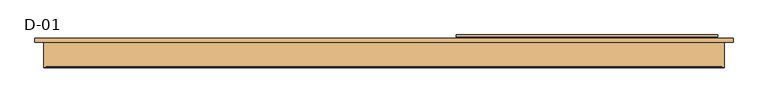
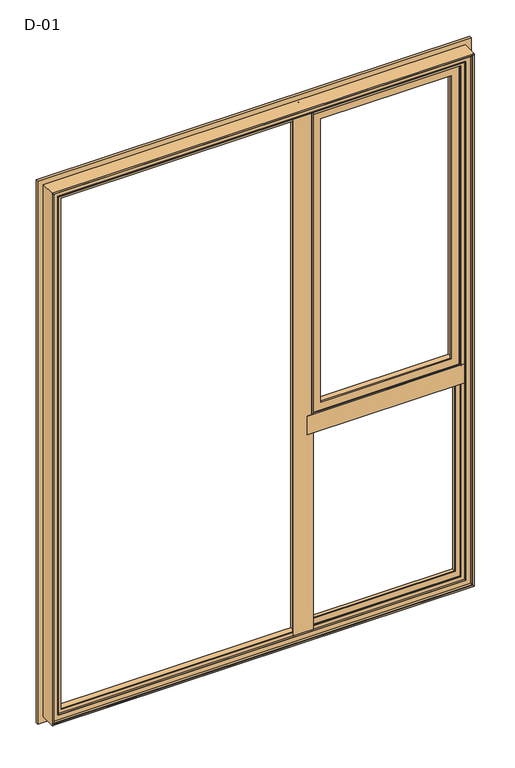
"""IFC4 building model written with IfcOpenShell, lengths in millimetres: door geometry, D-01."""

from ifc_helpers import new_model, si_unit, frame, origin, place, context, project, spatial, polyline, ellipse_curve, outline, extrude, source, transform, mapped, element, save
from ifc_brep_helpers import plane_surface, cylinder_surface, revolved_surface, advanced_brep


def d_01_aafe551c(model_context):
    return source(origin(), model_context, "Body", "SolidModel", [
        advanced_brep(
        [(735.8588651, 121.9999121, 1985.8588651), (735.8588651, 121.9999121, 809.1411349), (735.8588651, 126.5999121, 809.1411349), (735.8588651, 126.5999121, 1985.8588651), (159.1411349, 126.5999121, 1985.8588651), (159.1411349, 126.5999121, 809.1411349), (699.3588651, 126.5999121, 1949.3588651), (195.6411349, 126.5999121, 1949.3588651), (195.6411349, 126.5999121, 845.6411349), (699.3588651, 126.5999121, 845.6411349), (159.1411349, 121.9999121, 809.1411349), (159.1411349, 121.9999121, 1985.8588651), (161.2462336, 121.9999121, 1983.7537664), (733.7537664, 121.9999121, 1983.7537664), (733.7537664, 121.9999121, 811.2462336), (161.2462336, 121.9999121, 811.2462336), (736.4637148, 119.9946866, 1986.4637148), (736.4637148, 119.9946866, 808.5362852), (158.5362852, 119.9946866, 808.5362852), (737.2086873, 118.9999537, 1987.2086873), (737.2086873, 118.9999537, 807.7913127), (157.7913127, 118.9999537, 807.7913127), (157.7913127, 118.9999537, 1987.2086873), (176.6411322, 118.9999537, 1968.3588678), (718.3588678, 118.9999537, 1968.3588678), (718.3588678, 118.9999537, 826.6411322), (176.6411322, 118.9999537, 826.6411322), (718.3588678, 76.0999005, 1968.3588678), (718.3588678, 76.0999005, 826.6411322), (176.6411322, 76.0999005, 826.6411322), (717.8588679, 75.5999006, 1967.8588679), (717.8588679, 75.5999006, 827.1411321), (177.1411321, 75.5999006, 827.1411321), (718.144223, 74.6078271, 1968.144223), (718.144223, 74.6078271, 826.855777), (176.855777, 74.6078271, 826.855777), (715.4347904, 72.6034445, 1965.4347904), (715.4347904, 72.6034445, 829.5652096), (179.5652096, 72.6034445, 829.5652096), (179.5652096, 72.6034445, 1965.4347904), (182.9650333, 72.6034445, 1962.0349667), (712.0349667, 72.6034445, 1962.0349667), (712.0349667, 72.6034445, 832.9650333), (182.9650333, 72.6034445, 832.9650333), (708.8054323, 74.6078271, 1958.8054323), (708.8054323, 74.6078271, 836.1945677), (186.1945677, 74.6078271, 836.1945677), (708.340576, 75.5999039, 1958.340576), (708.340576, 75.5999039, 836.659424), (186.659424, 75.5999039, 836.659424), (186.659424, 75.5999039, 1958.340576), (215.6411291, 75.5999039, 1929.3588709), (679.3588709, 75.5999039, 1929.3588709), (679.3588709, 75.5999039, 865.6411291), (215.6411291, 75.5999039, 865.6411291), (679.3588709, 80.1999039, 1929.3588709), (679.3588709, 80.1999039, 865.6411291), (215.6411291, 80.1999039, 865.6411291), (195.6411349, 80.1999039, 1949.3588651), (699.3588651, 80.1999039, 1949.3588651), (699.3588651, 80.1999039, 845.6411349), (195.6411349, 80.1999039, 845.6411349), (215.6411291, 80.1999039, 1929.3588709), (158.5362852, 119.9946866, 1986.4637148), (176.6411322, 76.0999005, 1968.3588678), (177.1411321, 75.5999006, 1967.8588679), (176.855777, 74.6078271, 1968.144223), (186.1945677, 74.6078271, 1958.8054323)],
        [
            (0, 1),
            (1, 2),
            (2, 3),
            (3, 0),
            (4, 3),
            (2, 5),
            (5, 4),
            (6, 7),
            (7, 8),
            (8, 9),
            (9, 6),
            (1, 10),
            (10, 5),
            (0, 11),
            (11, 10),
            (12, 13),
            (13, 14),
            (14, 15),
            (15, 12),
            (16, 17),
            (17, 14, ellipse_curve(frame((737.5848432, 124.3436113, 807.4151568), z_axis=(-0.7071067811865475, 0.0, -0.7071067811865475), x_axis=(0.7071067811865474, 0.0, -0.7071067811865476)), 6.3513896, 4.4911107)),
            (13, 16, ellipse_curve(frame((737.5848432, 124.3436113, 1987.5848432), z_axis=(-0.7071067811865475, 0.0, 0.7071067811865475), x_axis=(-0.7071067811865474, 0.0, -0.7071067811865476)), 6.3513896, 4.4911107)),
            (17, 18),
            (18, 15, ellipse_curve(frame((157.4151568, 124.3436113, 807.4151568), z_axis=(-0.7071067811865475, 0.0, 0.7071067811865475), x_axis=(-0.7071067811865476, 0.0, -0.7071067811865474)), 6.3513896, 4.4911107)),
            (19, 20),
            (20, 17),
            (16, 19),
            (20, 21),
            (21, 18),
            (19, 22),
            (22, 21),
            (23, 24),
            (24, 25),
            (25, 26),
            (26, 23),
            (27, 28),
            (28, 25),
            (24, 27),
            (28, 29),
            (29, 26),
            (30, 31),
            (31, 28, ellipse_curve(frame((717.8588679, 76.0999005, 827.1411321), z_axis=(0.7071067811865475, 0.0, 0.7071067811865475), x_axis=(-0.7071067811865474, 0.0, 0.7071067811865476)), 0.7071066, 0.4999999)),
            (27, 30, ellipse_curve(frame((717.8588679, 76.0999005, 1967.8588679), z_axis=(0.7071067811865475, 0.0, -0.7071067811865475), x_axis=(0.7071067811865474, 0.0, 0.7071067811865476)), 0.7071066, 0.4999999)),
            (31, 32),
            (32, 29, ellipse_curve(frame((177.1411321, 76.0999005, 827.1411321), z_axis=(0.7071067811865475, 0.0, -0.7071067811865475), x_axis=(0.7071067811865476, 0.0, 0.7071067811865474)), 0.7071066, 0.4999999)),
            (33, 34),
            (34, 31),
            (30, 33),
            (34, 35),
            (35, 32),
            (36, 37),
            (37, 34, ellipse_curve(frame((719.2653514, 70.2589024, 825.7346486), z_axis=(-0.7071067811865475, 0.0, -0.7071067811865475), x_axis=(0.7071067811865474, 0.0, -0.7071067811865476)), 6.3513896, 4.4911107)),
            (33, 36, ellipse_curve(frame((719.2653514, 70.2589024, 1969.2653514), z_axis=(-0.7071067811865475, 0.0, 0.7071067811865475), x_axis=(-0.7071067811865474, 0.0, -0.7071067811865476)), 6.3513896, 4.4911107)),
            (37, 38),
            (38, 35, ellipse_curve(frame((175.7346486, 70.2589024, 825.7346486), z_axis=(-0.7071067811865475, 0.0, 0.7071067811865475), x_axis=(-0.7071067811865476, 0.0, -0.7071067811865474)), 6.3513896, 4.4911107)),
            (36, 39),
            (39, 38),
            (40, 41),
            (41, 42),
            (42, 43),
            (43, 40),
            (44, 45),
            (45, 42, ellipse_curve(frame((708.5540914, 70.5988943, 836.4459086), z_axis=(-0.7071067811865475, 0.0, -0.7071067811865475), x_axis=(0.7071067811865474, 0.0, -0.7071067811865476)), 5.6806187, 4.016804)),
            (41, 44, ellipse_curve(frame((708.5540914, 70.5988943, 1958.5540914), z_axis=(-0.7071067811865475, 0.0, 0.7071067811865475), x_axis=(-0.7071067811865474, 0.0, -0.7071067811865476)), 5.6806187, 4.016804)),
            (45, 46),
            (46, 43, ellipse_curve(frame((186.4459086, 70.5988943, 836.4459086), z_axis=(-0.7071067811865475, 0.0, 0.7071067811865475), x_axis=(-0.7071067811865476, 0.0, -0.7071067811865474)), 5.6806187, 4.016804)),
            (47, 48),
            (48, 45),
            (44, 47),
            (48, 49),
            (49, 46),
            (47, 50),
            (50, 49),
            (51, 52),
            (52, 53),
            (53, 54),
            (54, 51),
            (55, 56),
            (56, 53),
            (52, 55),
            (56, 57),
            (57, 54),
            (58, 59),
            (59, 60),
            (60, 61),
            (61, 58),
            (55, 62),
            (62, 57),
            (9, 60),
            (59, 6),
            (8, 61),
            (11, 4),
            (18, 63),
            (63, 12, ellipse_curve(frame((157.4151568, 124.3436113, 1987.5848432), z_axis=(0.7071067811865475, 0.0, 0.7071067811865475), x_axis=(-0.7071067811865474, 0.0, 0.7071067811865476)), 6.3513896, 4.4911107)),
            (22, 63),
            (29, 64),
            (64, 23),
            (32, 65),
            (65, 64, ellipse_curve(frame((177.1411321, 76.0999005, 1967.8588679), z_axis=(-0.7071067811865475, 0.0, -0.7071067811865475), x_axis=(0.7071067811865474, 0.0, -0.7071067811865476)), 0.7071066, 0.4999999)),
            (35, 66),
            (66, 65),
            (39, 66, ellipse_curve(frame((175.7346486, 70.2589024, 1969.2653514), z_axis=(0.7071067811865475, 0.0, 0.7071067811865475), x_axis=(-0.7071067811865474, 0.0, 0.7071067811865476)), 6.3513896, 4.4911107)),
            (46, 67),
            (67, 40, ellipse_curve(frame((186.4459086, 70.5988943, 1958.5540914), z_axis=(0.7071067811865475, 0.0, 0.7071067811865475), x_axis=(-0.7071067811865474, 0.0, 0.7071067811865476)), 5.6806187, 4.016804)),
            (50, 67),
            (62, 51),
            (7, 58),
            (63, 16),
            (64, 27),
            (65, 30),
            (66, 33),
            (67, 44),
        ],
        [
            plane_surface(frame((735.8588651, 126.5999121, 1985.8588651), z_axis=(1.0, 0.0, 0.0), x_axis=(0.0, 0.0, -1.0))),
            plane_surface(frame((195.6411349, 126.5999121, 845.6411349), z_axis=(0.0, 1.0, 0.0), x_axis=(0.0, 0.0, 1.0))),
            plane_surface(frame((735.8588651, 126.5999121, 809.1411349), z_axis=(0.0, 0.0, -1.0), x_axis=(-1.0, 0.0, 0.0))),
            plane_surface(frame((159.1411349, 121.9999121, 809.1411349), z_axis=(0.0, -1.0, 0.0), x_axis=(0.0, 0.0, 1.0))),
            revolved_surface(polyline([(742.0759539000001, 124.3436113, 802.9240461438822), (742.0759539000001, 124.3436113, 1992.0759538561178)]), (737.5848432, 124.3436113, 2000.0), (0.0, 0.0, -1.0)),
            revolved_surface(polyline([(152.92404614388226, 124.3436113, 802.9240460999999), (742.0759538561177, 124.3436113, 802.9240460999999)]), (750.0, 124.3436113, 807.4151568), (-1.0, 0.0, 0.0)),
            plane_surface(frame((736.4637148, 119.9946866, 1986.4637148), z_axis=(0.8004158635848707, 0.5994451145198247, 0.0), x_axis=(0.0, 0.0, -1.0))),
            plane_surface(frame((736.4637148, 119.9946866, 808.5362852), z_axis=(0.0, 0.5994451145198296, -0.800415863584867), x_axis=(-1.0, 0.0, 0.0))),
            plane_surface(frame((157.7913127, 118.9999537, 807.7913127), z_axis=(0.0, -1.0, 0.0), x_axis=(0.0, 0.0, 1.0))),
            plane_surface(frame((718.3588678, 118.9999537, 1968.3588678), z_axis=(1.0, 0.0, 0.0), x_axis=(0.0, 0.0, -1.0))),
            plane_surface(frame((718.3588678, 118.9999537, 826.6411322), z_axis=(0.0, 0.0, -1.0), x_axis=(-1.0, 0.0, 0.0))),
            cylinder_surface(frame((717.8588679, 76.0999005, 2000.0), z_axis=(0.0, 0.0, 1.0), x_axis=(1.0, 0.0, 0.0)), 0.4999999),
            cylinder_surface(frame((750.0, 76.0999005, 827.1411321), z_axis=(1.0, 0.0, 0.0), x_axis=(0.0, 0.0, -1.0)), 0.4999999),
            plane_surface(frame((717.8588679, 75.5999006, 1967.8588679), z_axis=(0.9610348327667624, 0.27642729642522856, 0.0), x_axis=(0.0, 0.0, -1.0))),
            plane_surface(frame((717.8588679, 75.5999006, 827.1411321), z_axis=(0.0, 0.27642729642523445, -0.9610348327667607), x_axis=(-1.0, 0.0, 0.0))),
            revolved_surface(polyline([(723.7564621, 70.2589024, 821.2435379438823), (723.7564621, 70.2589024, 1973.756462056118)]), (719.2653514, 70.2589024, 2000.0), (0.0, 0.0, -1.0)),
            revolved_surface(polyline([(171.2435379438823, 70.2589024, 821.2435379), (723.7564620561177, 70.2589024, 821.2435379)]), (750.0, 70.2589024, 825.7346486), (-1.0, 0.0, 0.0)),
            plane_surface(frame((179.5652096, 72.6034445, 829.5652096), z_axis=(0.0, -1.0, 0.0), x_axis=(0.0, 0.0, 1.0))),
            revolved_surface(polyline([(712.5708953999999, 70.5988943, 832.4291045958951), (712.5708953999999, 70.5988943, 1962.5708954041052)]), (708.5540914, 70.5988943, 2000.0), (0.0, 0.0, -1.0)),
            revolved_surface(polyline([(182.42910459589484, 70.5988943, 832.4291046000001), (712.570895404105, 70.5988943, 832.4291046000001)]), (750.0, 70.5988943, 836.4459086), (-1.0, 0.0, 0.0)),
            plane_surface(frame((708.8054323, 74.6078271, 1958.8054323), z_axis=(-0.9055219642805072, -0.4242993898246519, 0.0), x_axis=(0.0, 0.0, -1.0))),
            plane_surface(frame((708.8054323, 74.6078271, 836.1945677), z_axis=(0.0, -0.4242993898246574, 0.9055219642805047), x_axis=(-1.0, 0.0, 0.0))),
            plane_surface(frame((186.659424, 75.5999039, 836.659424), z_axis=(0.0, -1.0, 0.0), x_axis=(0.0, 0.0, 1.0))),
            plane_surface(frame((679.3588709, 75.5999039, 1929.3588709), z_axis=(-1.0, 0.0, 0.0), x_axis=(0.0, 0.0, -1.0))),
            plane_surface(frame((679.3588709, 75.5999039, 865.6411291), z_axis=(0.0, 0.0, 1.0), x_axis=(-1.0, 0.0, 0.0))),
            plane_surface(frame((215.6411291, 80.1999039, 865.6411291), z_axis=(0.0, 1.0, 0.0), x_axis=(0.0, 0.0, 1.0))),
            plane_surface(frame((699.3588651, 80.1999039, 1949.3588651), z_axis=(-1.0, 0.0, 0.0), x_axis=(0.0, 0.0, -1.0))),
            plane_surface(frame((699.3588651, 80.1999039, 845.6411349), z_axis=(0.0, 0.0, 1.0), x_axis=(-1.0, 0.0, 0.0))),
            plane_surface(frame((159.1411349, 126.5999121, 809.1411349), z_axis=(-1.0, 0.0, 0.0), x_axis=(0.0, 0.0, 1.0))),
            revolved_surface(polyline([(152.9240461, 124.3436113, 1992.0759538561178), (152.9240461, 124.3436113, 802.9240461438823)]), (157.4151568, 124.3436113, 795.0), (0.0, 0.0, 1.0)),
            plane_surface(frame((158.5362852, 119.9946866, 808.5362852), z_axis=(-0.8004158635848634, 0.5994451145198345, 0.0), x_axis=(0.0, 0.0, 1.0))),
            plane_surface(frame((176.6411322, 118.9999537, 826.6411322), z_axis=(-1.0, 0.0, 0.0), x_axis=(0.0, 0.0, 1.0))),
            cylinder_surface(frame((177.1411321, 76.0999005, 795.0), z_axis=(0.0, 0.0, -1.0), x_axis=(-1.0, 0.0, 0.0)), 0.4999999),
            plane_surface(frame((177.1411321, 75.5999006, 827.1411321), z_axis=(-0.961034832766759, 0.27642729642524033, 0.0), x_axis=(0.0, 0.0, 1.0))),
            revolved_surface(polyline([(171.2435379, 70.2589024, 1973.756462056118), (171.2435379, 70.2589024, 821.2435379438823)]), (175.7346486, 70.2589024, 795.0), (0.0, 0.0, 1.0)),
            revolved_surface(polyline([(182.4291046, 70.5988943, 1962.5708954041052), (182.4291046, 70.5988943, 832.429104595895)]), (186.4459086, 70.5988943, 795.0), (0.0, 0.0, 1.0)),
            plane_surface(frame((186.1945677, 74.6078271, 836.1945677), z_axis=(0.9055219642805021, -0.424299389824663, 0.0), x_axis=(0.0, 0.0, 1.0))),
            plane_surface(frame((215.6411291, 75.5999039, 865.6411291), z_axis=(1.0, 0.0, 0.0), x_axis=(0.0, 0.0, 1.0))),
            plane_surface(frame((195.6411349, 80.1999039, 845.6411349), z_axis=(1.0, 0.0, 0.0), x_axis=(0.0, 0.0, 1.0))),
            plane_surface(frame((159.1411349, 126.5999121, 1985.8588651), z_axis=(0.0, 0.0, 1.0), x_axis=(1.0, 0.0, 0.0))),
            revolved_surface(polyline([(742.0759538561177, 124.3436113, 1992.0759539), (152.9240461438823, 124.3436113, 1992.0759539)]), (145.0, 124.3436113, 1987.5848432), (1.0, 0.0, 0.0)),
            plane_surface(frame((158.5362852, 119.9946866, 1986.4637148), z_axis=(0.0, 0.5994451145198296, 0.800415863584867), x_axis=(1.0, 0.0, 0.0))),
            plane_surface(frame((176.6411322, 118.9999537, 1968.3588678), z_axis=(0.0, 0.0, 1.0), x_axis=(1.0, 0.0, 0.0))),
            cylinder_surface(frame((145.0, 76.0999005, 1967.8588679), z_axis=(-1.0, 0.0, 0.0), x_axis=(0.0, 0.0, 1.0)), 0.4999999),
            plane_surface(frame((177.1411321, 75.5999006, 1967.8588679), z_axis=(0.0, 0.27642729642523445, 0.9610348327667607), x_axis=(1.0, 0.0, 0.0))),
            revolved_surface(polyline([(723.7564620561177, 70.2589024, 1973.7564621000001), (171.2435379438823, 70.2589024, 1973.7564621000001)]), (145.0, 70.2589024, 1969.2653514), (1.0, 0.0, 0.0)),
            revolved_surface(polyline([(712.570895404105, 70.5988943, 1962.5708954000002), (182.4291045958949, 70.5988943, 1962.5708954000002)]), (145.0, 70.5988943, 1958.5540914), (1.0, 0.0, 0.0)),
            plane_surface(frame((186.1945677, 74.6078271, 1958.8054323), z_axis=(0.0, -0.4242993898246574, -0.9055219642805047), x_axis=(1.0, 0.0, 0.0))),
            plane_surface(frame((215.6411291, 75.5999039, 1929.3588709), z_axis=(0.0, 0.0, -1.0), x_axis=(1.0, 0.0, 0.0))),
            plane_surface(frame((195.6411349, 80.1999039, 1949.3588651), z_axis=(0.0, 0.0, -1.0), x_axis=(1.0, 0.0, 0.0))),
        ],
        [
            (0, [[1, 2, 3, 4]]),
            (1, [[5, -3, 6, 7], [8, 9, 10, 11]]),
            (2, [[12, 13, -6, -2]]),
            (3, [[14, 15, -12, -1], [16, 17, 18, 19]]),
            (4, [[20, 21, -17, 22]]),
            (5, [[23, 24, -18, -21]]),
            (6, [[25, 26, -20, 27]]),
            (7, [[28, 29, -23, -26]]),
            (8, [[30, 31, -28, -25], [32, 33, 34, 35]]),
            (9, [[36, 37, -33, 38]]),
            (10, [[39, 40, -34, -37]]),
            (11, [[41, 42, -36, 43]]),
            (12, [[44, 45, -39, -42]]),
            (13, [[46, 47, -41, 48]]),
            (14, [[49, 50, -44, -47]]),
            (15, [[51, 52, -46, 53]]),
            (16, [[54, 55, -49, -52]]),
            (17, [[56, 57, -54, -51], [58, 59, 60, 61]]),
            (18, [[62, 63, -59, 64]]),
            (19, [[65, 66, -60, -63]]),
            (20, [[67, 68, -62, 69]]),
            (21, [[70, 71, -65, -68]]),
            (22, [[72, 73, -70, -67], [74, 75, 76, 77]]),
            (23, [[78, 79, -75, 80]]),
            (24, [[81, 82, -76, -79]]),
            (25, [[83, 84, 85, 86], [87, 88, -81, -78]]),
            (26, [[-11, 89, -84, 90]]),
            (27, [[-10, 91, -85, -89]]),
            (28, [[-15, 92, -7, -13]]),
            (29, [[93, 94, -19, -24]]),
            (30, [[-31, 95, -93, -29]]),
            (31, [[96, 97, -35, -40]]),
            (32, [[98, 99, -96, -45]]),
            (33, [[100, 101, -98, -50]]),
            (34, [[-57, 102, -100, -55]]),
            (35, [[103, 104, -61, -66]]),
            (36, [[-73, 105, -103, -71]]),
            (37, [[-88, 106, -77, -82]]),
            (38, [[-9, 107, -86, -91]]),
            (39, [[-14, -4, -5, -92]]),
            (40, [[108, -22, -16, -94]]),
            (41, [[-30, -27, -108, -95]]),
            (42, [[109, -38, -32, -97]]),
            (43, [[110, -43, -109, -99]]),
            (44, [[111, -48, -110, -101]]),
            (45, [[-56, -53, -111, -102]]),
            (46, [[112, -64, -58, -104]]),
            (47, [[-72, -69, -112, -105]]),
            (48, [[-87, -80, -74, -106]]),
            (49, [[-8, -90, -83, -107]]),
        ],
    ),
        extrude(outline(polyline([(68.9990172, 764.9999652), (68.9990172, 835.0000026), (72.5990172, 835.0000026), (72.5990172, 815.0000187), (118.9999375, 815.0000187), (118.9999375, 784.9999813), (72.5990172, 784.9999813), (72.5990172, 764.9999652), (68.9990172, 764.9999652)])), frame((165.0, 0.0, 0.0), z_axis=(1.0, 0.0, 0.0), x_axis=(0.0, 1.0, 0.0)), (0.0, 0.0, 1.0), 565.0),
        advanced_brep(
        [(710.0, 107.7228474, 765.0), (710.0, 107.7228474, 39.9999604), (707.8575034, 100.3927452, 42.142457), (707.8575034, 100.3927452, 762.8575034), (730.0, 100.3927452, 19.9999604), (730.0, 100.3927452, 785.0), (165.0, 100.3927452, 785.0), (165.0, 100.3927452, 19.9999604), (187.1424966, 100.3927452, 42.142457), (187.1424966, 100.3927452, 762.8575034), (185.0, 107.7228474, 39.9999604), (710.0, 118.9999377, 765.0), (710.0, 118.9999377, 39.9999604), (185.0, 118.9999377, 39.9999604), (730.0, 118.9999377, 785.0), (730.0, 118.9999377, 19.9999604), (165.0, 118.9999377, 19.9999604), (165.0, 118.9999377, 785.0), (185.0, 118.9999377, 765.0), (185.0, 107.7228474, 765.0)],
        [
            (0, 1),
            (1, 2, ellipse_curve(frame((690.3925883, 109.4756835, 59.6073722), z_axis=(-0.7071067811865475, 0.0, -0.7071067811865475), x_axis=(0.7071067811865474, 0.0, -0.7071067811865476)), 27.839649, 19.6856046)),
            (2, 3),
            (3, 0, ellipse_curve(frame((690.3925883, 109.4756835, 745.3925883), z_axis=(-0.7071067811865475, 0.0, 0.7071067811865475), x_axis=(-0.7071067811865474, 0.0, -0.7071067811865476)), 27.839649, 19.6856046)),
            (4, 5),
            (5, 6),
            (6, 7),
            (7, 4),
            (2, 8),
            (8, 9),
            (9, 3),
            (1, 10),
            (10, 8, ellipse_curve(frame((204.6074117, 109.4756835, 59.6073722), z_axis=(-0.7071067811865475, 0.0, 0.7071067811865475), x_axis=(-0.7071067811865476, 0.0, -0.7071067811865474)), 27.839649, 19.6856046)),
            (11, 12),
            (12, 1),
            (0, 11),
            (12, 13),
            (13, 10),
            (14, 15),
            (15, 16),
            (16, 17),
            (17, 14),
            (11, 18),
            (18, 13),
            (4, 15),
            (14, 5),
            (7, 16),
            (10, 19),
            (19, 9, ellipse_curve(frame((204.6074117, 109.4756835, 745.3925883), z_axis=(0.7071067811865475, 0.0, 0.7071067811865475), x_axis=(-0.7071067811865474, 0.0, 0.7071067811865476)), 27.839649, 19.6856046)),
            (18, 19),
            (6, 17),
            (19, 0),
        ],
        [
            revolved_surface(polyline([(710.0781929000001, 109.4756835, 39.9217676062467), (710.0781929000001, 109.4756835, 765.0781928937533)]), (690.3925883, 109.4756835, 785.0), (0.0, 0.0, -1.0)),
            plane_surface(frame((165.0, 100.3927452, 785.0), z_axis=(0.0, -1.0, 0.0), x_axis=(1.0, 0.0, 0.0))),
            revolved_surface(polyline([(184.92180710624677, 109.4756835, 39.921767599999995), (710.0781928937533, 109.4756835, 39.921767599999995)]), (730.0, 109.4756835, 59.6073722), (-1.0, 0.0, 0.0)),
            plane_surface(frame((710.0, 107.7228474, 765.0), z_axis=(-1.0, 0.0, 0.0), x_axis=(0.0, 0.0, -1.0))),
            plane_surface(frame((710.0, 107.7228474, 39.9999604), z_axis=(0.0, 0.0, 1.0), x_axis=(-1.0, 0.0, 0.0))),
            plane_surface(frame((185.0, 118.9999377, 765.0), z_axis=(0.0, 1.0, 0.0), x_axis=(1.0, 0.0, 0.0))),
            plane_surface(frame((730.0, 118.9999377, 785.0), z_axis=(1.0, 0.0, 0.0), x_axis=(0.0, 0.0, -1.0))),
            plane_surface(frame((730.0, 118.9999377, 19.9999604), z_axis=(0.0, 0.0, -1.0), x_axis=(-1.0, 0.0, 0.0))),
            revolved_surface(polyline([(184.9218071, 109.4756835, 765.0781928937533), (184.9218071, 109.4756835, 39.92176760624672)]), (204.6074117, 109.4756835, 19.9999604), (0.0, 0.0, 1.0)),
            plane_surface(frame((185.0, 107.7228474, 39.9999604), z_axis=(1.0, 0.0, 0.0), x_axis=(0.0, 0.0, 1.0))),
            plane_surface(frame((165.0, 118.9999377, 19.9999604), z_axis=(-1.0, 0.0, 0.0), x_axis=(0.0, 0.0, 1.0))),
            revolved_surface(polyline([(710.0781928937533, 109.4756835, 765.0781929000001), (184.92180710624672, 109.4756835, 765.0781929000001)]), (165.0, 109.4756835, 745.3925883), (1.0, 0.0, 0.0)),
            plane_surface(frame((185.0, 107.7228474, 765.0), z_axis=(0.0, 0.0, -1.0), x_axis=(1.0, 0.0, 0.0))),
            plane_surface(frame((165.0, 118.9999377, 785.0), z_axis=(0.0, 0.0, 1.0), x_axis=(1.0, 0.0, 0.0))),
        ],
        [
            (0, [[1, 2, 3, 4]]),
            (1, [[5, 6, 7, 8], [-3, 9, 10, 11]]),
            (2, [[12, 13, -9, -2]]),
            (3, [[14, 15, -1, 16]]),
            (4, [[17, 18, -12, -15]]),
            (5, [[19, 20, 21, 22], [-14, 23, 24, -17]]),
            (6, [[-5, 25, -19, 26]]),
            (7, [[-8, 27, -20, -25]]),
            (8, [[28, 29, -10, -13]]),
            (9, [[-24, 30, -28, -18]]),
            (10, [[-7, 31, -21, -27]]),
            (11, [[32, -4, -11, -29]]),
            (12, [[-23, -16, -32, -30]]),
            (13, [[-6, -26, -22, -31]]),
        ],
    ),
        extrude(outline(polyline([(114.9999652, 68.9990172), (114.9999652, 72.5990172), (134.9999813, 72.5990172), (134.9999813, 118.9999375), (165.0000187, 118.9999375), (165.0000187, 72.5990172), (185.0000026, 72.5990172), (185.0000026, 68.9990172), (114.9999652, 68.9990172)])), frame((0.0, 0.0, 19.9999604), z_axis=(0.0, 0.0, 1.0), x_axis=(1.0, 0.0, 0.0)), (0.0, 0.0, 1.0), 1960.0000792),
        advanced_brep(
        [(770.000038, 110.0, 2020.000038), (770.000038, 110.0, -20.000038), (770.000038, 118.9999375, -20.000038), (770.000038, 118.9999375, 2020.000038), (-770.000038, 118.9999375, 2020.000038), (-770.000038, 118.9999375, -20.000038), (730.0000396, 118.9999375, 1980.0000396), (-730.0000396, 118.9999375, 1980.0000396), (-730.0000396, 118.9999375, 19.9999604), (730.0000396, 118.9999375, 19.9999604), (-770.000038, 110.0, -20.000038), (-770.000038, 110.0, 2020.000038), (-750.0, 110.0, 2000.0), (750.0, 110.0, 2000.0), (750.0, 110.0, 0.0), (-750.0, 110.0, 0.0), (750.0, 54.8507969, 2000.0), (750.0, 54.8507969, 0.0), (-750.0, 54.8507969, 0.0), (745.0001465, 54.8506112, 1995.0001465), (745.0001465, 54.8506112, 4.9998535), (-745.0001465, 54.8506112, 4.9998535), (745.0001465, 56.5920405, 1995.0001465), (745.0001465, 56.5920405, 4.9998535), (-745.0001465, 56.5920405, 4.9998535), (743.8001794, 56.5908144, 1993.8001794), (743.8001794, 56.5908144, 6.1998206), (-743.8001794, 56.5908144, 6.1998206), (743.8001794, 65.9999813, 1993.8001794), (743.8001794, 65.9999813, 6.1998206), (-743.8001794, 65.9999813, 6.1998206), (-743.8001794, 65.9999813, 1993.8001794), (-724.2001794, 65.9999813, 1974.2001794), (724.2001794, 65.9999813, 1974.2001794), (724.2001794, 65.9999813, 25.7998206), (-724.2001794, 65.9999813, 25.7998206), (724.2001794, 61.9999728, 1974.2001794), (724.2001794, 61.9999728, 25.7998206), (-724.2001794, 61.9999728, 25.7998206), (-724.2001794, 61.9999728, 1974.2001794), (-722.6156704, 61.9999728, 1972.6156704), (722.6156704, 61.9999728, 1972.6156704), (722.6156704, 61.9999728, 27.3843296), (-722.6156704, 61.9999728, 27.3843296), (722.8755675, 68.9999299, 1972.8755675), (722.8755675, 68.9999299, 27.1244325), (-722.8755675, 68.9999299, 27.1244325), (-722.8755675, 68.9999299, 1972.8755675), (-710.0002274, 68.9999299, 1960.0002274), (710.0002274, 68.9999299, 1960.0002274), (710.0002274, 68.9999299, 39.9997726), (-710.0002274, 68.9999299, 39.9997726), (710.0002274, 72.5999758, 1960.0002274), (710.0002274, 72.5999758, 39.9997726), (-710.0002274, 72.5999758, 39.9997726), (-730.0000396, 72.5999758, 1980.0000396), (730.0000396, 72.5999758, 1980.0000396), (730.0000396, 72.5999758, 19.9999604), (-730.0000396, 72.5999758, 19.9999604), (-710.0002274, 72.5999758, 1960.0002274), (-750.0, 54.8507969, 2000.0), (-745.0001465, 54.8506112, 1995.0001465), (-745.0001465, 56.5920405, 1995.0001465), (-743.8001794, 56.5908144, 1993.8001794)],
        [
            (0, 1),
            (1, 2),
            (2, 3),
            (3, 0),
            (4, 3),
            (2, 5),
            (5, 4),
            (6, 7),
            (7, 8),
            (8, 9),
            (9, 6),
            (1, 10),
            (10, 5),
            (0, 11),
            (11, 10),
            (12, 13),
            (13, 14),
            (14, 15),
            (15, 12),
            (16, 17),
            (17, 14),
            (13, 16),
            (17, 18),
            (18, 15),
            (19, 20),
            (20, 17, ellipse_curve(frame((747.5001465, 52.8785929, 2.4998535), z_axis=(-0.7071067811865475, 0.0, -0.7071067811865475), x_axis=(0.7071067811865474, 0.0, -0.7071067811865476)), 4.5030781, 3.184157)),
            (16, 19, ellipse_curve(frame((747.5001465, 52.8785929, 1997.5001465), z_axis=(-0.7071067811865475, 0.0, 0.7071067811865475), x_axis=(-0.7071067811865474, 0.0, -0.7071067811865476)), 4.5030781, 3.184157)),
            (20, 21),
            (21, 18, ellipse_curve(frame((-747.5001465, 52.8785929, 2.4998535), z_axis=(-0.7071067811865475, 0.0, 0.7071067811865475), x_axis=(-0.7071067811865476, 0.0, -0.7071067811865474)), 4.5030781, 3.184157)),
            (22, 23),
            (23, 20),
            (19, 22),
            (23, 24),
            (24, 21),
            (25, 26),
            (26, 23, ellipse_curve(frame((744.4001534, 56.6007652, 5.5998466), z_axis=(0.7071067811865475, 0.0, 0.7071067811865475), x_axis=(-0.7071067811865474, 0.0, 0.7071067811865476)), 0.8486081, 0.6000566)),
            (22, 25, ellipse_curve(frame((744.4001534, 56.6007652, 1994.4001534), z_axis=(0.7071067811865475, 0.0, -0.7071067811865475), x_axis=(0.7071067811865474, 0.0, 0.7071067811865476)), 0.8486081, 0.6000566)),
            (26, 27),
            (27, 24, ellipse_curve(frame((-744.4001534, 56.6007652, 5.5998466), z_axis=(0.7071067811865475, 0.0, -0.7071067811865475), x_axis=(0.7071067811865476, 0.0, 0.7071067811865474)), 0.8486081, 0.6000566)),
            (28, 29),
            (29, 26),
            (25, 28),
            (29, 30),
            (30, 27),
            (28, 31),
            (31, 30),
            (32, 33),
            (33, 34),
            (34, 35),
            (35, 32),
            (36, 37),
            (37, 34),
            (33, 36),
            (37, 38),
            (38, 35),
            (36, 39),
            (39, 38),
            (40, 41),
            (41, 42),
            (42, 43),
            (43, 40),
            (44, 45),
            (45, 42),
            (41, 44),
            (45, 46),
            (46, 43),
            (44, 47),
            (47, 46),
            (48, 49),
            (49, 50),
            (50, 51),
            (51, 48),
            (52, 53),
            (53, 50),
            (49, 52),
            (53, 54),
            (54, 51),
            (55, 56),
            (56, 57),
            (57, 58),
            (58, 55),
            (52, 59),
            (59, 54),
            (9, 57),
            (56, 6),
            (8, 58),
            (11, 4),
            (18, 60),
            (60, 12),
            (21, 61),
            (61, 60, ellipse_curve(frame((-747.5001465, 52.8785929, 1997.5001465), z_axis=(0.7071067811865475, 0.0, 0.7071067811865475), x_axis=(-0.7071067811865474, 0.0, 0.7071067811865476)), 4.5030781, 3.184157)),
            (24, 62),
            (62, 61),
            (27, 63),
            (63, 62, ellipse_curve(frame((-744.4001534, 56.6007652, 1994.4001534), z_axis=(-0.7071067811865475, 0.0, -0.7071067811865475), x_axis=(0.7071067811865474, 0.0, -0.7071067811865476)), 0.8486081, 0.6000566)),
            (31, 63),
            (39, 32),
            (47, 40),
            (59, 48),
            (7, 55),
            (60, 16),
            (61, 19),
            (62, 22),
            (63, 25),
        ],
        [
            plane_surface(frame((770.000038, 118.9999375, 2020.000038), z_axis=(1.0, 0.0, 0.0), x_axis=(0.0, 0.0, -1.0))),
            plane_surface(frame((-730.0000396, 118.9999375, 19.9999604), z_axis=(0.0, 1.0, 0.0), x_axis=(0.0, 0.0, 1.0))),
            plane_surface(frame((770.000038, 118.9999375, -20.000038), z_axis=(0.0, 0.0, -1.0), x_axis=(-1.0, 0.0, 0.0))),
            plane_surface(frame((-770.000038, 110.0, -20.000038), z_axis=(0.0, -1.0, 0.0), x_axis=(0.0, 0.0, 1.0))),
            plane_surface(frame((750.0, 110.0, 2000.0), z_axis=(1.0, 0.0, 0.0), x_axis=(0.0, 0.0, -1.0))),
            plane_surface(frame((750.0, 110.0, 0.0), z_axis=(0.0, 0.0, -1.0), x_axis=(-1.0, 0.0, 0.0))),
            revolved_surface(polyline([(750.6843035, 52.8785929, -0.6843035607225829), (750.6843035, 52.8785929, 2000.6843035607226)]), (747.5001465, 52.8785929, 2000.0), (0.0, 0.0, -1.0)),
            revolved_surface(polyline([(-750.6843035607226, 52.8785929, -0.6843035), (750.6843035607227, 52.8785929, -0.6843035)]), (750.0, 52.8785929, 2.4998535), (-1.0, 0.0, 0.0)),
            plane_surface(frame((745.0001465, 54.8506112, 1995.0001465), z_axis=(-1.0, 0.0, 0.0), x_axis=(0.0, 0.0, -1.0))),
            plane_surface(frame((745.0001465, 54.8506112, 4.9998535), z_axis=(0.0, 0.0, 1.0), x_axis=(-1.0, 0.0, 0.0))),
            cylinder_surface(frame((744.4001534, 56.6007652, 2000.0), z_axis=(0.0, 0.0, 1.0), x_axis=(1.0, 0.0, 0.0)), 0.6000566),
            cylinder_surface(frame((750.0, 56.6007652, 5.5998466), z_axis=(1.0, 0.0, 0.0), x_axis=(0.0, 0.0, -1.0)), 0.6000566),
            plane_surface(frame((743.8001794, 56.5908144, 1993.8001794), z_axis=(-1.0, 0.0, 0.0), x_axis=(0.0, 0.0, -1.0))),
            plane_surface(frame((743.8001794, 56.5908144, 6.1998206), z_axis=(0.0, 0.0, 1.0), x_axis=(-1.0, 0.0, 0.0))),
            plane_surface(frame((-743.8001794, 65.9999813, 6.1998206), z_axis=(0.0, -1.0, 0.0), x_axis=(0.0, 0.0, 1.0))),
            plane_surface(frame((724.2001794, 65.9999813, 1974.2001794), z_axis=(1.0, 0.0, 0.0), x_axis=(0.0, 0.0, -1.0))),
            plane_surface(frame((724.2001794, 65.9999813, 25.7998206), z_axis=(0.0, 0.0, -1.0), x_axis=(-1.0, 0.0, 0.0))),
            plane_surface(frame((-724.2001794, 61.9999728, 25.7998206), z_axis=(0.0, -1.0, 0.0), x_axis=(0.0, 0.0, 1.0))),
            plane_surface(frame((722.6156704, 61.9999728, 1972.6156704), z_axis=(-0.9993114533203381, 0.0371028201460986, 0.0), x_axis=(0.0, 0.0, -1.0))),
            plane_surface(frame((722.6156704, 61.9999728, 27.3843296), z_axis=(0.0, 0.03710282014609248, 0.9993114533203383), x_axis=(-1.0, 0.0, 0.0))),
            plane_surface(frame((-722.8755675, 68.9999299, 27.1244325), z_axis=(0.0, -1.0, 0.0), x_axis=(0.0, 0.0, 1.0))),
            plane_surface(frame((710.0002274, 68.9999299, 1960.0002274), z_axis=(-1.0, 0.0, 0.0), x_axis=(0.0, 0.0, -1.0))),
            plane_surface(frame((710.0002274, 68.9999299, 39.9997726), z_axis=(0.0, 0.0, 1.0), x_axis=(-1.0, 0.0, 0.0))),
            plane_surface(frame((-710.0002274, 72.5999758, 39.9997726), z_axis=(0.0, 1.0, 0.0), x_axis=(0.0, 0.0, 1.0))),
            plane_surface(frame((730.0000396, 72.5999758, 1980.0000396), z_axis=(-1.0, 0.0, 0.0), x_axis=(0.0, 0.0, -1.0))),
            plane_surface(frame((730.0000396, 72.5999758, 19.9999604), z_axis=(0.0, 0.0, 1.0), x_axis=(-1.0, 0.0, 0.0))),
            plane_surface(frame((-770.000038, 118.9999375, -20.000038), z_axis=(-1.0, 0.0, 0.0), x_axis=(0.0, 0.0, 1.0))),
            plane_surface(frame((-750.0, 110.0, 0.0), z_axis=(-1.0, 0.0, 0.0), x_axis=(0.0, 0.0, 1.0))),
            revolved_surface(polyline([(-750.6843035, 52.8785929, 2000.6843035607226), (-750.6843035, 52.8785929, -0.6843035607226331)]), (-747.5001465, 52.8785929, 0.0), (0.0, 0.0, 1.0)),
            plane_surface(frame((-745.0001465, 54.8506112, 4.9998535), z_axis=(1.0, 0.0, 0.0), x_axis=(0.0, 0.0, 1.0))),
            cylinder_surface(frame((-744.4001534, 56.6007652, 0.0), z_axis=(0.0, 0.0, -1.0), x_axis=(-1.0, 0.0, 0.0)), 0.6000566),
            plane_surface(frame((-743.8001794, 56.5908144, 6.1998206), z_axis=(1.0, 0.0, 0.0), x_axis=(0.0, 0.0, 1.0))),
            plane_surface(frame((-724.2001794, 65.9999813, 25.7998206), z_axis=(-1.0, 0.0, 0.0), x_axis=(0.0, 0.0, 1.0))),
            plane_surface(frame((-722.6156704, 61.9999728, 27.3843296), z_axis=(0.9993114533203385, 0.03710282014608636, 0.0), x_axis=(0.0, 0.0, 1.0))),
            plane_surface(frame((-710.0002274, 68.9999299, 39.9997726), z_axis=(1.0, 0.0, 0.0), x_axis=(0.0, 0.0, 1.0))),
            plane_surface(frame((-730.0000396, 72.5999758, 19.9999604), z_axis=(1.0, 0.0, 0.0), x_axis=(0.0, 0.0, 1.0))),
            plane_surface(frame((-770.000038, 118.9999375, 2020.000038), z_axis=(0.0, 0.0, 1.0), x_axis=(1.0, 0.0, 0.0))),
            plane_surface(frame((-750.0, 110.0, 2000.0), z_axis=(0.0, 0.0, 1.0), x_axis=(1.0, 0.0, 0.0))),
            revolved_surface(polyline([(750.6843035607226, 52.8785929, 2000.6843035), (-750.6843035607227, 52.8785929, 2000.6843035)]), (-750.0, 52.8785929, 1997.5001465), (1.0, 0.0, 0.0)),
            plane_surface(frame((-745.0001465, 54.8506112, 1995.0001465), z_axis=(0.0, 0.0, -1.0), x_axis=(1.0, 0.0, 0.0))),
            cylinder_surface(frame((-750.0, 56.6007652, 1994.4001534), z_axis=(-1.0, 0.0, 0.0), x_axis=(0.0, 0.0, 1.0)), 0.6000566),
            plane_surface(frame((-743.8001794, 56.5908144, 1993.8001794), z_axis=(0.0, 0.0, -1.0), x_axis=(1.0, 0.0, 0.0))),
            plane_surface(frame((-724.2001794, 65.9999813, 1974.2001794), z_axis=(0.0, 0.0, 1.0), x_axis=(1.0, 0.0, 0.0))),
            plane_surface(frame((-722.6156704, 61.9999728, 1972.6156704), z_axis=(0.0, 0.03710282014609248, -0.9993114533203383), x_axis=(1.0, 0.0, 0.0))),
            plane_surface(frame((-710.0002274, 68.9999299, 1960.0002274), z_axis=(0.0, 0.0, -1.0), x_axis=(1.0, 0.0, 0.0))),
            plane_surface(frame((-730.0000396, 72.5999758, 1980.0000396), z_axis=(0.0, 0.0, -1.0), x_axis=(1.0, 0.0, 0.0))),
        ],
        [
            (0, [[1, 2, 3, 4]]),
            (1, [[5, -3, 6, 7], [8, 9, 10, 11]]),
            (2, [[12, 13, -6, -2]]),
            (3, [[14, 15, -12, -1], [16, 17, 18, 19]]),
            (4, [[20, 21, -17, 22]]),
            (5, [[23, 24, -18, -21]]),
            (6, [[25, 26, -20, 27]]),
            (7, [[28, 29, -23, -26]]),
            (8, [[30, 31, -25, 32]]),
            (9, [[33, 34, -28, -31]]),
            (10, [[35, 36, -30, 37]]),
            (11, [[38, 39, -33, -36]]),
            (12, [[40, 41, -35, 42]]),
            (13, [[43, 44, -38, -41]]),
            (14, [[45, 46, -43, -40], [47, 48, 49, 50]]),
            (15, [[51, 52, -48, 53]]),
            (16, [[54, 55, -49, -52]]),
            (17, [[56, 57, -54, -51], [58, 59, 60, 61]]),
            (18, [[62, 63, -59, 64]]),
            (19, [[65, 66, -60, -63]]),
            (20, [[67, 68, -65, -62], [69, 70, 71, 72]]),
            (21, [[73, 74, -70, 75]]),
            (22, [[76, 77, -71, -74]]),
            (23, [[78, 79, 80, 81], [82, 83, -76, -73]]),
            (24, [[-11, 84, -79, 85]]),
            (25, [[-10, 86, -80, -84]]),
            (26, [[-15, 87, -7, -13]]),
            (27, [[88, 89, -19, -24]]),
            (28, [[90, 91, -88, -29]]),
            (29, [[92, 93, -90, -34]]),
            (30, [[94, 95, -92, -39]]),
            (31, [[-46, 96, -94, -44]]),
            (32, [[-57, 97, -50, -55]]),
            (33, [[-68, 98, -61, -66]]),
            (34, [[-83, 99, -72, -77]]),
            (35, [[-9, 100, -81, -86]]),
            (36, [[-14, -4, -5, -87]]),
            (37, [[101, -22, -16, -89]]),
            (38, [[102, -27, -101, -91]]),
            (39, [[103, -32, -102, -93]]),
            (40, [[104, -37, -103, -95]]),
            (41, [[-45, -42, -104, -96]]),
            (42, [[-56, -53, -47, -97]]),
            (43, [[-67, -64, -58, -98]]),
            (44, [[-82, -75, -69, -99]]),
            (45, [[-8, -85, -78, -100]]),
        ],
    ),
    ])


if __name__ == "__main__":
    model = new_model("IFC4")
    model_context = context("Model", 3, world=origin())
    ifc_project = project(units=[si_unit("LENGTHUNIT", "METRE", prefix="MILLI")], contexts=[model_context])
    site = spatial("IfcSite", under=ifc_project)
    building = spatial("IfcBuilding", under=site)
    placement = place(None, origin())
    d_01_shape = d_01_aafe551c(model_context)
    element("IfcDoor", 1, ObjectType="D-01", at=placement, inside=building, context=model_context, shape_type="MappedRepresentation", body=[
        mapped(d_01_shape, transform((0.0, 0.0, 0.0), x_axis=(1.0, 0.0, 0.0), y_axis=(0.0, 1.0, 0.0), z_axis=(0.0, 0.0, 1.0))),
    ])
    save(model, "model.ifc")
